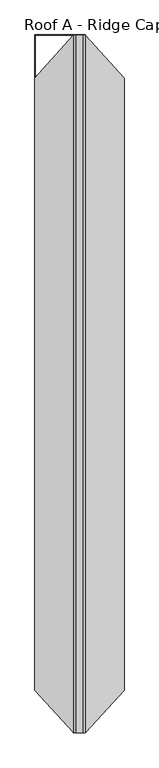
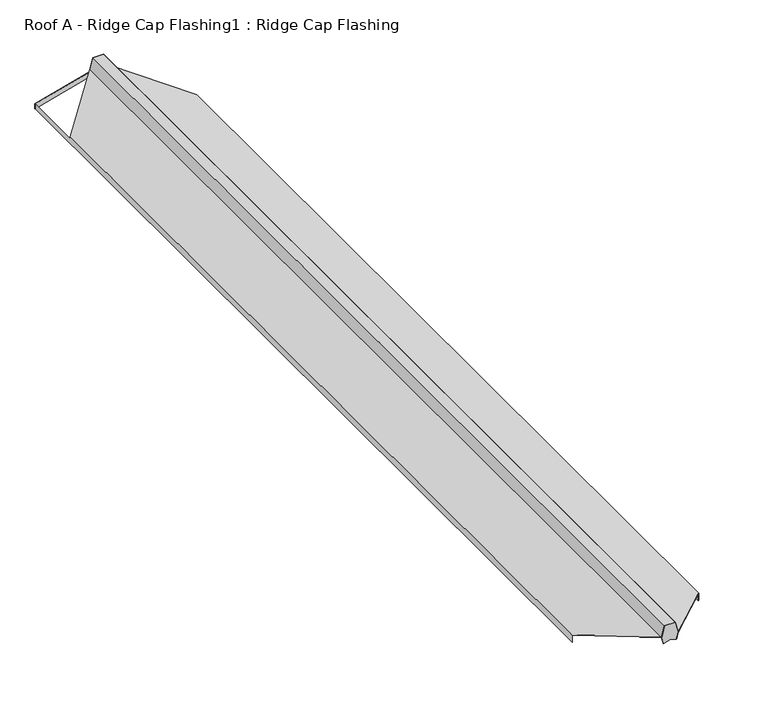
"""IFC4 building model written with IfcOpenShell, lengths in millimetres: proxy geometry, Roof A - Ridge Cap Flashing1 : Ridge Cap Flashing."""

from ifc_helpers import new_model, si_unit, origin, place, context, project, spatial, faceted_brep, source, transform, mapped, element, save


def roof_a_ridge_cap_flashing1_ridge_cap_flashing_fc3520f6(model_context):
    return source(origin(), model_context, "Body", "Brep", [
        faceted_brep([(37004.3414402, -7398.8296788, 6161.043288), (37328.9343483, -7398.8296788, 6248.0176956), (37362.2853585, -7398.8296788, 6239.0813194), (37371.7520988, -7398.8296788, 6274.4116755), (37356.0410373, -7398.8296788, 6333.0461554), (37301.8276593, -7398.8296788, 6333.0461554), (37286.1165977, -7398.8296788, 6274.4116755), (37284.9660481, -7398.8296788, 6274.1033866), (37287.8106228, -7398.8296788, 6263.4872895), (37004.3414402, -7398.8296788, 6187.5319509), (37286.1165977, -7397.5446007, 6274.4116755), (37301.8276593, -7397.5446007, 6333.0461554), (37356.0410373, -7397.5446007, 6333.0461554), (37371.7520988, -7397.5446007, 6274.4116755), (37362.2853585, -7397.5446007, 6239.0813194), (37328.9343483, -7397.5446007, 6248.0176956), (37004.3414402, -7397.5446007, 6161.043288), (37004.3414402, -7397.5446007, 6187.5319509), (37288.9611724, -7397.5446007, 6263.7955783)], [[[0, 1, 2, 3, 4, 5, 6, 7, 8, 9]], [[10, 11, 12, 13, 14, 15, 16, 17, 18]], [[6, 10, 7]], [[6, 5, 11, 10]], [[5, 4, 12, 11]], [[4, 3, 13, 12]], [[1, 15, 14, 2]], [[1, 0, 16, 15]], [[16, 0, 9, 17]], [[8, 18, 17, 9]], [[18, 8, 7, 10]], [[3, 2, 14, 13]]]),
        faceted_brep([(37286.1165977, -12480.7251597, 6274.4116755), (37301.8276593, -12480.7251597, 6333.0461554), (37356.0410373, -12480.7251597, 6333.0461554), (37371.7520988, -12480.7251597, 6274.4116755), (37374.1395313, -12480.7251597, 6273.7719649), (37364.672791, -12480.7251597, 6238.4416088), (37328.9343483, -12480.7251597, 6248.0176956), (37295.5833381, -12480.7251597, 6239.0813194), (37371.7520988, -12482.7251597, 6274.4116755), (37356.0410373, -12482.7251597, 6333.0461554), (37301.8276593, -12482.7251597, 6333.0461554), (37286.1165977, -12482.7251597, 6274.4116755), (37295.5833381, -12482.7251597, 6239.0813194), (37328.9343483, -12482.7251597, 6248.0176956), (37362.843036, -12482.7251597, 6238.9318901), (37372.3097764, -12482.7251597, 6274.2622462)], [[[0, 1, 2, 3, 4, 5, 6, 7]], [[8, 9, 10, 11, 12, 13, 14, 15]], [[1, 0, 11, 10]], [[2, 1, 10, 9]], [[3, 2, 9, 8]], [[3, 8, 15, 4]], [[13, 6, 5, 14]], [[6, 13, 12, 7]], [[5, 4, 15, 14]], [[0, 7, 12, 11]]]),
        faceted_brep([(37356.8083643, -7398.8296788, 6334.0461554), (37372.5685954, -7398.8296788, 6275.2281721), (37372.0109179, -7398.8296788, 6275.3776013), (37371.7520988, -7398.8296788, 6274.4116755), (37356.0410373, -7398.8296788, 6333.0461554), (37301.8276593, -7398.8296788, 6333.0461554), (37286.1165977, -7398.8296788, 6274.4116755), (37284.9660481, -7398.8296788, 6274.1033866), (37284.707229, -7398.8296788, 6275.0693125), (37285.3001012, -7398.8296788, 6275.2281721), (37301.0603323, -7398.8296788, 6334.0461554), (37005.3414402, -7398.8296788, 6161.043288), (37004.3414402, -7398.8296788, 6161.043288), (37004.3414402, -7398.8296788, 6187.5319509), (37005.3414402, -7398.8296788, 6187.7999001), (37356.8083643, -12482.7251597, 6334.0461554), (37301.0603323, -12482.7251597, 6334.0461554), (37285.3001012, -12482.7251597, 6275.2281721), (37285.8577787, -12482.7251597, 6275.3776013), (37286.1165977, -12482.7251597, 6274.4116755), (37301.8276593, -12482.7251597, 6333.0461554), (37356.0410373, -12482.7251597, 6333.0461554), (37371.7520988, -12482.7251597, 6274.4116755), (37372.3097764, -12482.7251597, 6274.2622462), (37372.5685954, -12482.7251597, 6275.2281721), (37372.5685954, -7399.4500173, 6275.2281721), (37286.1165977, -12480.7251597, 6274.4116755), (37005.3414402, -12176.4286644, 6199.1781988), (37005.3414402, -7711.1495072, 6199.1781988), (37285.3001012, -12480.1207639, 6275.2281721), (37004.3414402, -7711.9773511, 6199.9455258), (37004.3414402, -12175.6253926, 6199.9455258), (37005.3414402, -12175.6253926, 6161.043288), (37005.3414402, -7711.9773511, 6187.7999001), (37005.3414402, -7711.9773511, 6196.213475), (37005.3414402, -12175.6253926, 6196.213475), (37004.3414402, -12175.6253926, 6161.043288), (37004.3414402, -7711.9773511, 6187.5319509), (37653.5272564, -12175.6253926, 6199.9455258), (37653.5272564, -7711.9773511, 6199.9455258), (37653.5272564, -12175.6253926, 6161.043288), (37653.5272564, -7722.7956798, 6161.043288), (37652.5272564, -12175.6253926, 6161.043288), (37652.5272564, -7721.7578333, 6161.043288), (37652.5272564, -12175.6253926, 6196.213475), (37652.5272564, -12176.435535, 6199.1781988), (37652.5272564, -7711.1528906, 6199.1781988), (37285.8577787, -12480.7251597, 6275.3776013)], [[[0, 1, 2, 3, 4, 5, 6, 7, 8, 9, 10]], [[11, 12, 13, 14]], [[15, 16, 17, 18, 19, 20, 21, 22, 23, 24]], [[0, 10, 16, 15]], [[1, 0, 15, 24, 25]], [[4, 3, 22, 21]], [[5, 4, 21, 20]], [[6, 26, 27, 28, 7]], [[29, 9, 8, 30, 31]], [[6, 5, 20, 19, 26]], [[32, 11, 14, 33, 34, 28, 27, 35]], [[12, 11, 32, 36]], [[12, 36, 31, 30, 37, 13]], [[10, 9, 29, 17, 16]], [[24, 38, 39, 25]], [[38, 40, 41, 39]], [[40, 42, 43, 41]], [[42, 44, 45, 46, 43]], [[22, 3, 46, 45, 23]], [[38, 44, 42, 40]], [[44, 38, 24, 23, 45]], [[29, 47, 18, 17]], [[26, 47, 29, 31, 35, 27]], [[47, 26, 19, 18]], [[35, 31, 36, 32]], [[37, 33, 14, 13]], [[34, 30, 8, 7, 28]], [[33, 37, 30, 34]], [[25, 2, 1]], [[2, 25, 39, 41, 43, 46, 3]]]),
    ])


if __name__ == "__main__":
    model = new_model("IFC4")
    model_context = context("Model", 3, world=origin())
    ifc_project = project(units=[si_unit("LENGTHUNIT", "METRE", prefix="MILLI")], contexts=[model_context])
    site = spatial("IfcSite", under=ifc_project)
    building = spatial("IfcBuilding", under=site)
    placement = place(None, origin())
    roof_a_ridge_cap_flashing1_ridge_cap_flashing_shape = roof_a_ridge_cap_flashing1_ridge_cap_flashing_fc3520f6(model_context)
    element("IfcBuildingElementProxy", 1, Name="Roof A - Ridge Cap Flashing1 : Ridge Cap Flashing", ObjectType="Roof A - Ridge Cap Flashing1 : Ridge Cap Flashing", at=placement, inside=building, context=model_context, shape_type="MappedRepresentation", body=[
        mapped(roof_a_ridge_cap_flashing1_ridge_cap_flashing_shape, transform((0.0, 0.0, 0.0), x_axis=(1.0, 0.0, 0.0), y_axis=(0.0, 1.0, 0.0), z_axis=(0.0, 0.0, 1.0))),
    ])
    save(model, "model.ifc")
